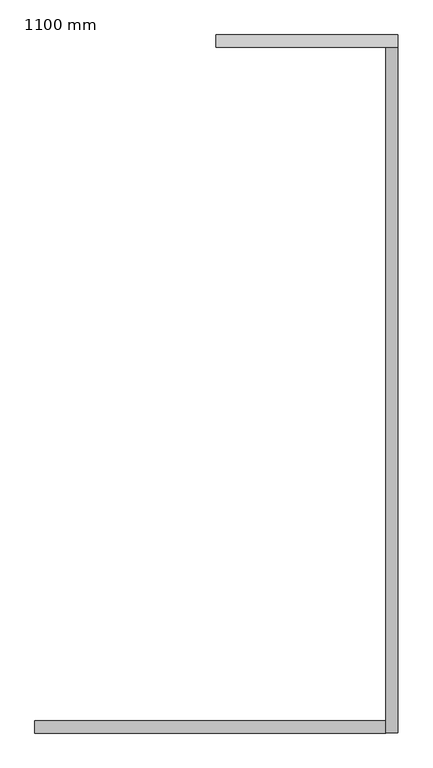
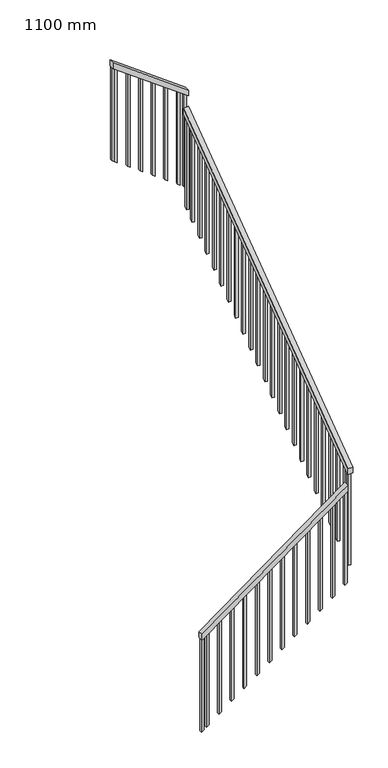
"""IFC4 building model written with IfcOpenShell, lengths in millimetres: railing geometry, 1100 mm."""

from ifc_helpers import new_model, si_unit, frame, origin, place, context, project, spatial, polyline, outline, extrude, source, transform, mapped, element, save


def railing_1100_mm_cf539af2(model_context):
    return source(origin(), model_context, "Body", "SweptSolid", [
        extrude(outline(polyline([(5482.6086957, -10342.4724667), (5420.6475076, -10342.4724667), (6479.7047525, -8895.4724667), (6541.6659406, -8895.4724667), (5482.6086957, -10342.4724667)])), frame((0.0, -423.5476232, 0.0), z_axis=(0.0, 1.0, 0.0), x_axis=(0.0, 0.0, 1.0)), (0.0, 0.0, 1.0), 50.0),
        extrude(outline(polyline([(-423.5476232, 6651.3727606), (-423.5476232, 6713.3221445), (2402.4523768, 8780.5376991), (2402.4523768, 8718.5883152), (-423.5476232, 6651.3727606)])), frame((-8895.4724667, 0.0, 0.0), z_axis=(1.0, 0.0, 0.0), x_axis=(0.0, 1.0, 0.0)), (0.0, 0.0, 1.0), 50.0),
        extrude(outline(polyline([(8890.2559235, -8845.4724667), (8952.173913, -8845.4724667), (9500.0, -9595.4724667), (9438.0820105, -9595.4724667), (8890.2559235, -8845.4724667)])), frame((0.0, 2402.4523768, 0.0), z_axis=(0.0, 1.0, 0.0), x_axis=(0.0, 0.0, 1.0)), (0.0, 0.0, 1.0), 50.0),
        extrude(outline(polyline([(9401.5602713, -9545.4724667), (9419.8211409, -9570.4724667), (8447.1132281, -9570.4724667), (8428.8523586, -9545.4724667), (9401.5602713, -9545.4724667)])), frame((0.0, 2414.9523768, 0.0), z_axis=(0.0, 1.0, 0.0), x_axis=(0.0, 0.0, 1.0)), (0.0, 0.0, 1.0), 25.0),
        extrude(outline(polyline([(9310.2559235, -9420.4724667), (9328.5167931, -9445.4724667), (8355.8088803, -9445.4724667), (8337.5480107, -9420.4724667), (9310.2559235, -9420.4724667)])), frame((0.0, 2414.9523768, 0.0), z_axis=(0.0, 1.0, 0.0), x_axis=(0.0, 0.0, 1.0)), (0.0, 0.0, 1.0), 25.0),
        extrude(outline(polyline([(9218.9515757, -9295.4724667), (9237.2124452, -9320.4724667), (8264.5045325, -9320.4724667), (8246.2436629, -9295.4724667), (9218.9515757, -9295.4724667)])), frame((0.0, 2414.9523768, 0.0), z_axis=(0.0, 1.0, 0.0), x_axis=(0.0, 0.0, 1.0)), (0.0, 0.0, 1.0), 25.0),
        extrude(outline(polyline([(9127.6472278, -9170.4724667), (9145.9080974, -9195.4724667), (8173.2001847, -9195.4724667), (8154.9393151, -9170.4724667), (9127.6472278, -9170.4724667)])), frame((0.0, 2414.9523768, 0.0), z_axis=(0.0, 1.0, 0.0), x_axis=(0.0, 0.0, 1.0)), (0.0, 0.0, 1.0), 25.0),
        extrude(outline(polyline([(9036.34288, -9045.4724667), (9054.6037496, -9070.4724667), (8081.8958368, -9070.4724667), (8063.6349673, -9045.4724667), (9036.34288, -9045.4724667)])), frame((0.0, 2414.9523768, 0.0), z_axis=(0.0, 1.0, 0.0), x_axis=(0.0, 0.0, 1.0)), (0.0, 0.0, 1.0), 25.0),
        extrude(outline(polyline([(8945.0385322, -8920.4724667), (8963.2994018, -8945.4724667), (7990.591489, -8945.4724667), (7972.3306194, -8920.4724667), (8945.0385322, -8920.4724667)])), frame((0.0, 2414.9523768, 0.0), z_axis=(0.0, 1.0, 0.0), x_axis=(0.0, 0.0, 1.0)), (0.0, 0.0, 1.0), 25.0),
        extrude(outline(polyline([(2276.4523768, 8626.3491159), (2301.4523768, 8644.6465804), (2301.4523768, 7672.1778335), (2276.4523768, 7653.880369), (2276.4523768, 8626.3491159)])), frame((-8882.9724667, 0.0, 0.0), z_axis=(1.0, 0.0, 0.0), x_axis=(0.0, 1.0, 0.0)), (0.0, 0.0, 1.0), 25.0),
        extrude(outline(polyline([(2151.4523768, 8534.9117683), (2176.4523768, 8553.2092328), (2176.4523768, 7580.7404859), (2151.4523768, 7562.4430214), (2151.4523768, 8534.9117683)])), frame((-8882.9724667, 0.0, 0.0), z_axis=(1.0, 0.0, 0.0), x_axis=(0.0, 1.0, 0.0)), (0.0, 0.0, 1.0), 25.0),
        extrude(outline(polyline([(2026.4523768, 8443.4744207), (2051.4523768, 8461.7718852), (2051.4523768, 7489.3031383), (2026.4523768, 7471.0056738), (2026.4523768, 8443.4744207)])), frame((-8882.9724667, 0.0, 0.0), z_axis=(1.0, 0.0, 0.0), x_axis=(0.0, 1.0, 0.0)), (0.0, 0.0, 1.0), 25.0),
        extrude(outline(polyline([(1901.4523768, 8352.0370731), (1926.4523768, 8370.3345376), (1926.4523768, 7397.8657907), (1901.4523768, 7379.5683262), (1901.4523768, 8352.0370731)])), frame((-8882.9724667, 0.0, 0.0), z_axis=(1.0, 0.0, 0.0), x_axis=(0.0, 1.0, 0.0)), (0.0, 0.0, 1.0), 25.0),
        extrude(outline(polyline([(1776.4523768, 8260.5997255), (1801.4523768, 8278.89719), (1801.4523768, 7306.4284431), (1776.4523768, 7288.1309786), (1776.4523768, 8260.5997255)])), frame((-8882.9724667, 0.0, 0.0), z_axis=(1.0, 0.0, 0.0), x_axis=(0.0, 1.0, 0.0)), (0.0, 0.0, 1.0), 25.0),
        extrude(outline(polyline([(1651.4523768, 8169.1623779), (1676.4523768, 8187.4598424), (1676.4523768, 7214.9910954), (1651.4523768, 7196.693631), (1651.4523768, 8169.1623779)])), frame((-8882.9724667, 0.0, 0.0), z_axis=(1.0, 0.0, 0.0), x_axis=(0.0, 1.0, 0.0)), (0.0, 0.0, 1.0), 25.0),
        extrude(outline(polyline([(1526.4523768, 8077.7250303), (1551.4523768, 8096.0224948), (1551.4523768, 7123.5537478), (1526.4523768, 7105.2562833), (1526.4523768, 8077.7250303)])), frame((-8882.9724667, 0.0, 0.0), z_axis=(1.0, 0.0, 0.0), x_axis=(0.0, 1.0, 0.0)), (0.0, 0.0, 1.0), 25.0),
        extrude(outline(polyline([(1401.4523768, 7986.2876827), (1426.4523768, 8004.5851472), (1426.4523768, 7032.1164002), (1401.4523768, 7013.8189357), (1401.4523768, 7986.2876827)])), frame((-8882.9724667, 0.0, 0.0), z_axis=(1.0, 0.0, 0.0), x_axis=(0.0, 1.0, 0.0)), (0.0, 0.0, 1.0), 25.0),
        extrude(outline(polyline([(1276.4523768, 7894.8503351), (1301.4523768, 7913.1477996), (1301.4523768, 6940.6790526), (1276.4523768, 6922.3815881), (1276.4523768, 7894.8503351)])), frame((-8882.9724667, 0.0, 0.0), z_axis=(1.0, 0.0, 0.0), x_axis=(0.0, 1.0, 0.0)), (0.0, 0.0, 1.0), 25.0),
        extrude(outline(polyline([(1151.4523768, 7803.4129875), (1176.4523768, 7821.710452), (1176.4523768, 6849.241705), (1151.4523768, 6830.9442405), (1151.4523768, 7803.4129875)])), frame((-8882.9724667, 0.0, 0.0), z_axis=(1.0, 0.0, 0.0), x_axis=(0.0, 1.0, 0.0)), (0.0, 0.0, 1.0), 25.0),
        extrude(outline(polyline([(1026.4523768, 7711.9756399), (1051.4523768, 7730.2731044), (1051.4523768, 6757.8043574), (1026.4523768, 6739.5068929), (1026.4523768, 7711.9756399)])), frame((-8882.9724667, 0.0, 0.0), z_axis=(1.0, 0.0, 0.0), x_axis=(0.0, 1.0, 0.0)), (0.0, 0.0, 1.0), 25.0),
        extrude(outline(polyline([(901.4523768, 7620.5382923), (926.4523768, 7638.8357568), (926.4523768, 6666.3670098), (901.4523768, 6648.0695453), (901.4523768, 7620.5382923)])), frame((-8882.9724667, 0.0, 0.0), z_axis=(1.0, 0.0, 0.0), x_axis=(0.0, 1.0, 0.0)), (0.0, 0.0, 1.0), 25.0),
        extrude(outline(polyline([(776.4523768, 7529.1009447), (801.4523768, 7547.3984092), (801.4523768, 6574.9296622), (776.4523768, 6556.6321977), (776.4523768, 7529.1009447)])), frame((-8882.9724667, 0.0, 0.0), z_axis=(1.0, 0.0, 0.0), x_axis=(0.0, 1.0, 0.0)), (0.0, 0.0, 1.0), 25.0),
        extrude(outline(polyline([(651.4523768, 7437.6635971), (676.4523768, 7455.9610616), (676.4523768, 6483.4923146), (651.4523768, 6465.1948501), (651.4523768, 7437.6635971)])), frame((-8882.9724667, 0.0, 0.0), z_axis=(1.0, 0.0, 0.0), x_axis=(0.0, 1.0, 0.0)), (0.0, 0.0, 1.0), 25.0),
        extrude(outline(polyline([(526.4523768, 7346.2262495), (551.4523768, 7364.523714), (551.4523768, 6392.054967), (526.4523768, 6373.7575025), (526.4523768, 7346.2262495)])), frame((-8882.9724667, 0.0, 0.0), z_axis=(1.0, 0.0, 0.0), x_axis=(0.0, 1.0, 0.0)), (0.0, 0.0, 1.0), 25.0),
        extrude(outline(polyline([(401.4523768, 7254.7889019), (426.4523768, 7273.0863664), (426.4523768, 6300.6176194), (401.4523768, 6282.3201549), (401.4523768, 7254.7889019)])), frame((-8882.9724667, 0.0, 0.0), z_axis=(1.0, 0.0, 0.0), x_axis=(0.0, 1.0, 0.0)), (0.0, 0.0, 1.0), 25.0),
        extrude(outline(polyline([(276.4523768, 7163.3515543), (301.4523768, 7181.6490188), (301.4523768, 6209.1802718), (276.4523768, 6190.8828073), (276.4523768, 7163.3515543)])), frame((-8882.9724667, 0.0, 0.0), z_axis=(1.0, 0.0, 0.0), x_axis=(0.0, 1.0, 0.0)), (0.0, 0.0, 1.0), 25.0),
        extrude(outline(polyline([(151.4523768, 7071.9142067), (176.4523768, 7090.2116712), (176.4523768, 6117.7429242), (151.4523768, 6099.4454597), (151.4523768, 7071.9142067)])), frame((-8882.9724667, 0.0, 0.0), z_axis=(1.0, 0.0, 0.0), x_axis=(0.0, 1.0, 0.0)), (0.0, 0.0, 1.0), 25.0),
        extrude(outline(polyline([(26.4523768, 6980.4768591), (51.4523768, 6998.7743236), (51.4523768, 6026.3055766), (26.4523768, 6008.0081121), (26.4523768, 6980.4768591)])), frame((-8882.9724667, 0.0, 0.0), z_axis=(1.0, 0.0, 0.0), x_axis=(0.0, 1.0, 0.0)), (0.0, 0.0, 1.0), 25.0),
        extrude(outline(polyline([(-98.5476232, 6889.0395115), (-73.5476232, 6907.336976), (-73.5476232, 5934.868229), (-98.5476232, 5916.5707645), (-98.5476232, 6889.0395115)])), frame((-8882.9724667, 0.0, 0.0), z_axis=(1.0, 0.0, 0.0), x_axis=(0.0, 1.0, 0.0)), (0.0, 0.0, 1.0), 25.0),
        extrude(outline(polyline([(-223.5476232, 6797.6021639), (-198.5476232, 6815.8996284), (-198.5476232, 5843.4308814), (-223.5476232, 5825.1334169), (-223.5476232, 6797.6021639)])), frame((-8882.9724667, 0.0, 0.0), z_axis=(1.0, 0.0, 0.0), x_axis=(0.0, 1.0, 0.0)), (0.0, 0.0, 1.0), 25.0),
        extrude(outline(polyline([(-348.5476232, 6706.1648163), (-323.5476232, 6724.4622807), (-323.5476232, 5751.9935338), (-348.5476232, 5733.6960693), (-348.5476232, 6706.1648163)])), frame((-8882.9724667, 0.0, 0.0), z_axis=(1.0, 0.0, 0.0), x_axis=(0.0, 1.0, 0.0)), (0.0, 0.0, 1.0), 25.0),
        extrude(outline(polyline([(5491.1342368, -8917.4724667), (5509.4317013, -8892.4724667), (6481.9004482, -8892.4724667), (6463.6029837, -8917.4724667), (5491.1342368, -8917.4724667)])), frame((0.0, -411.0476232, 0.0), z_axis=(0.0, 1.0, 0.0), x_axis=(0.0, 0.0, 1.0)), (0.0, 0.0, 1.0), 25.0),
        extrude(outline(polyline([(5399.6469143, -9042.4724667), (5417.9443788, -9017.4724667), (6390.4131258, -9017.4724667), (6372.1156613, -9042.4724667), (5399.6469143, -9042.4724667)])), frame((0.0, -411.0476232, 0.0), z_axis=(0.0, 1.0, 0.0), x_axis=(0.0, 0.0, 1.0)), (0.0, 0.0, 1.0), 25.0),
        extrude(outline(polyline([(5308.1595918, -9167.4724667), (5326.4570563, -9142.4724667), (6298.9258033, -9142.4724667), (6280.6283388, -9167.4724667), (5308.1595918, -9167.4724667)])), frame((0.0, -411.0476232, 0.0), z_axis=(0.0, 1.0, 0.0), x_axis=(0.0, 0.0, 1.0)), (0.0, 0.0, 1.0), 25.0),
        extrude(outline(polyline([(5216.6722694, -9292.4724667), (5234.9697339, -9267.4724667), (6207.4384808, -9267.4724667), (6189.1410163, -9292.4724667), (5216.6722694, -9292.4724667)])), frame((0.0, -411.0476232, 0.0), z_axis=(0.0, 1.0, 0.0), x_axis=(0.0, 0.0, 1.0)), (0.0, 0.0, 1.0), 25.0),
        extrude(outline(polyline([(5125.1849469, -9417.4724667), (5143.4824114, -9392.4724667), (6115.9511584, -9392.4724667), (6097.6536939, -9417.4724667), (5125.1849469, -9417.4724667)])), frame((0.0, -411.0476232, 0.0), z_axis=(0.0, 1.0, 0.0), x_axis=(0.0, 0.0, 1.0)), (0.0, 0.0, 1.0), 25.0),
        extrude(outline(polyline([(5033.6976244, -9542.4724667), (5051.9950889, -9517.4724667), (6024.4638359, -9517.4724667), (6006.1663714, -9542.4724667), (5033.6976244, -9542.4724667)])), frame((0.0, -411.0476232, 0.0), z_axis=(0.0, 1.0, 0.0), x_axis=(0.0, 0.0, 1.0)), (0.0, 0.0, 1.0), 25.0),
        extrude(outline(polyline([(4942.2103019, -9667.4724667), (4960.5077664, -9642.4724667), (5932.9765134, -9642.4724667), (5914.6790489, -9667.4724667), (4942.2103019, -9667.4724667)])), frame((0.0, -411.0476232, 0.0), z_axis=(0.0, 1.0, 0.0), x_axis=(0.0, 0.0, 1.0)), (0.0, 0.0, 1.0), 25.0),
        extrude(outline(polyline([(4850.7229795, -9792.4724667), (4869.020444, -9767.4724667), (5841.4891909, -9767.4724667), (5823.1917264, -9792.4724667), (4850.7229795, -9792.4724667)])), frame((0.0, -411.0476232, 0.0), z_axis=(0.0, 1.0, 0.0), x_axis=(0.0, 0.0, 1.0)), (0.0, 0.0, 1.0), 25.0),
        extrude(outline(polyline([(4759.235657, -9917.4724667), (4777.5331215, -9892.4724667), (5750.0018685, -9892.4724667), (5731.704404, -9917.4724667), (4759.235657, -9917.4724667)])), frame((0.0, -411.0476232, 0.0), z_axis=(0.0, 1.0, 0.0), x_axis=(0.0, 0.0, 1.0)), (0.0, 0.0, 1.0), 25.0),
        extrude(outline(polyline([(4667.7483345, -10042.4724667), (4686.045799, -10017.4724667), (5658.514546, -10017.4724667), (5640.2170815, -10042.4724667), (4667.7483345, -10042.4724667)])), frame((0.0, -411.0476232, 0.0), z_axis=(0.0, 1.0, 0.0), x_axis=(0.0, 0.0, 1.0)), (0.0, 0.0, 1.0), 25.0),
        extrude(outline(polyline([(4576.2610121, -10167.4724667), (4594.5584766, -10142.4724667), (5567.0272235, -10142.4724667), (5548.729759, -10167.4724667), (4576.2610121, -10167.4724667)])), frame((0.0, -411.0476232, 0.0), z_axis=(0.0, 1.0, 0.0), x_axis=(0.0, 0.0, 1.0)), (0.0, 0.0, 1.0), 25.0),
        extrude(outline(polyline([(4484.7736896, -10292.4724667), (4503.0711541, -10267.4724667), (5475.5399011, -10267.4724667), (5457.2424366, -10292.4724667), (4484.7736896, -10292.4724667)])), frame((0.0, -411.0476232, 0.0), z_axis=(0.0, 1.0, 0.0), x_axis=(0.0, 0.0, 1.0)), (0.0, 0.0, 1.0), 25.0),
        extrude(outline(polyline([(8899.3863583, -8857.9724667), (8917.6472278, -8882.9724667), (7944.9393151, -8882.9724667), (7926.6784455, -8857.9724667), (8899.3863583, -8857.9724667)])), frame((0.0, 2414.9523768, 0.0), z_axis=(0.0, 1.0, 0.0), x_axis=(0.0, 0.0, 1.0)), (0.0, 0.0, 1.0), 25.0),
        extrude(outline(polyline([(2374.9523768, 8698.4017459), (2399.9523768, 8716.6992104), (2399.9523768, 7744.2304634), (2374.9523768, 7725.9329989), (2374.9523768, 8698.4017459)])), frame((-8882.9724667, 0.0, 0.0), z_axis=(1.0, 0.0, 0.0), x_axis=(0.0, 1.0, 0.0)), (0.0, 0.0, 1.0), 25.0),
        extrude(outline(polyline([(-411.0476232, 6660.4461425), (-386.0476232, 6678.7436069), (-386.0476232, 5706.27486), (-411.0476232, 5687.9773955), (-411.0476232, 6660.4461425)])), frame((-8882.9724667, 0.0, 0.0), z_axis=(1.0, 0.0, 0.0), x_axis=(0.0, 1.0, 0.0)), (0.0, 0.0, 1.0), 25.0),
        extrude(outline(polyline([(9419.8211409, -9570.4724667), (9438.0820105, -9595.4724667), (8465.3740977, -9595.4724667), (8447.1132281, -9570.4724667), (9419.8211409, -9570.4724667)])), frame((0.0, 2414.9523768, 0.0), z_axis=(0.0, 1.0, 0.0), x_axis=(0.0, 0.0, 1.0)), (0.0, 0.0, 1.0), 25.0),
        extrude(outline(polyline([(4448.1787606, -10342.4724667), (4466.4762251, -10317.4724667), (5438.9449721, -10317.4724667), (5420.6475076, -10342.4724667), (4448.1787606, -10342.4724667)])), frame((0.0, -411.0476232, 0.0), z_axis=(0.0, 1.0, 0.0), x_axis=(0.0, 0.0, 1.0)), (0.0, 0.0, 1.0), 25.0),
    ])


if __name__ == "__main__":
    model = new_model("IFC4")
    model_context = context("Model", 3, world=origin())
    ifc_project = project(units=[si_unit("LENGTHUNIT", "METRE", prefix="MILLI")], contexts=[model_context])
    site = spatial("IfcSite", under=ifc_project)
    building = spatial("IfcBuilding", under=site)
    placement = place(None, origin())
    railing_1100_mm_shape = railing_1100_mm_cf539af2(model_context)
    element("IfcRailing", 1, ObjectType="1100 mm", at=placement, inside=building, context=model_context, shape_type="MappedRepresentation", body=[
        mapped(railing_1100_mm_shape, transform((0.0, 0.0, 0.0), x_axis=(1.0, 0.0, 0.0), y_axis=(0.0, 1.0, 0.0), z_axis=(0.0, 0.0, 1.0))),
    ])
    save(model, "model.ifc")
